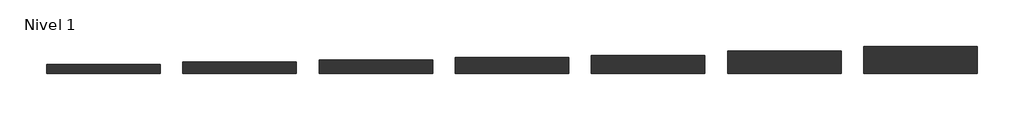
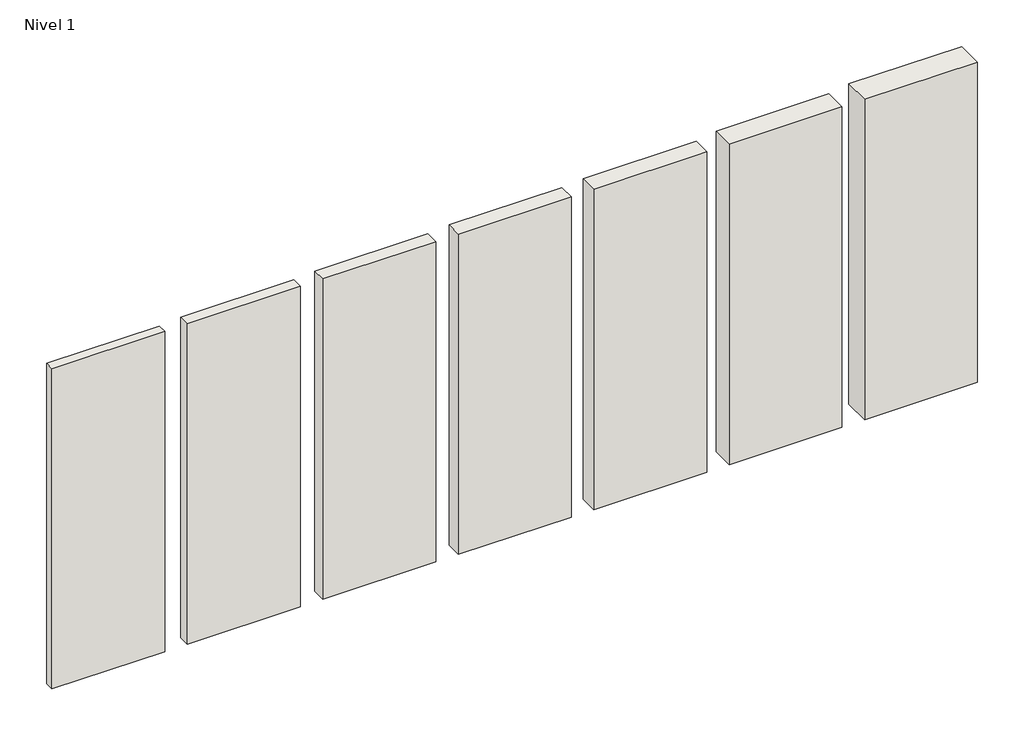
# One storey: 7 walls.
"""IFC4 building model written with IfcOpenShell, lengths in millimetres."""

from ifc_helpers import new_model, si_unit, origin, origin_with_axes, place, context, project, spatial, polyline, outline, extrude, element, save

model = new_model("IFC4")

# Units and contexts
model_context = context("Model", 3, world=origin())
ifc_project = project(units=[si_unit("LENGTHUNIT", "METRE", prefix="MILLI")], contexts=[model_context])

# Site, building, storey
site = spatial("IfcSite", under=ifc_project)
building = spatial("IfcBuilding", under=site)
storey = spatial("IfcBuildingStorey", under=building, Name="Nivel 1", Elevation=0.0)

# Walls
placement = place(None, origin())
element("IfcWall", 1, at=placement, inside=storey, context=model_context, shape_type="SweptSolid", body=[
    extrude(outline(polyline([(1084.4345966, -810.4108764), (84.4345966, -810.4108764), (84.4345966, -710.4108764), (1084.4345966, -710.4108764), (1084.4345966, -810.4108764)])), origin_with_axes(), (0.0, 0.0, 1.0), 3000.0),
])
element("IfcWall", 2, at=placement, inside=storey, context=model_context, shape_type="SweptSolid", body=[
    extrude(outline(polyline([(2284.4345966, -810.4108764), (1284.4345966, -810.4108764), (1284.4345966, -690.4108764), (2284.4345966, -690.4108764), (2284.4345966, -810.4108764)])), origin_with_axes(), (0.0, 0.0, 1.0), 3000.0),
])
element("IfcWall", 3, at=placement, inside=storey, context=model_context, shape_type="SweptSolid", body=[
    extrude(outline(polyline([(3484.4345966, -810.4108764), (2484.4345966, -810.4108764), (2484.4345966, -670.4108764), (3484.4345966, -670.4108764), (3484.4345966, -810.4108764)])), origin_with_axes(), (0.0, 0.0, 1.0), 3000.0),
])
element("IfcWall", 4, at=placement, inside=storey, context=model_context, shape_type="SweptSolid", body=[
    extrude(outline(polyline([(4684.4345966, -810.4108764), (3684.4345966, -810.4108764), (3684.4345966, -650.4108764), (4684.4345966, -650.4108764), (4684.4345966, -810.4108764)])), origin_with_axes(), (0.0, 0.0, 1.0), 3000.0),
])
element("IfcWall", 5, at=placement, inside=storey, context=model_context, shape_type="SweptSolid", body=[
    extrude(outline(polyline([(5884.4345966, -810.4108764), (4884.4345966, -810.4108764), (4884.4345966, -610.4108764), (5884.4345966, -610.4108764), (5884.4345966, -810.4108764)])), origin_with_axes(), (0.0, 0.0, 1.0), 3000.0),
])
element("IfcWall", 6, at=placement, inside=storey, context=model_context, shape_type="SweptSolid", body=[
    extrude(outline(polyline([(7084.4345966, -810.4108764), (6084.4345966, -810.4108764), (6084.4345966, -570.4108764), (7084.4345966, -570.4108764), (7084.4345966, -810.4108764)])), origin_with_axes(), (0.0, 0.0, 1.0), 3000.0),
])
element("IfcWall", 7, at=placement, inside=storey, context=model_context, shape_type="SweptSolid", body=[
    extrude(outline(polyline([(-115.5654034, -810.4108764), (-1115.5654034, -810.4108764), (-1115.5654034, -730.4108764), (-115.5654034, -730.4108764), (-115.5654034, -810.4108764)])), origin_with_axes(), (0.0, 0.0, 1.0), 3000.0),
])

save(model, "model.ifc")
